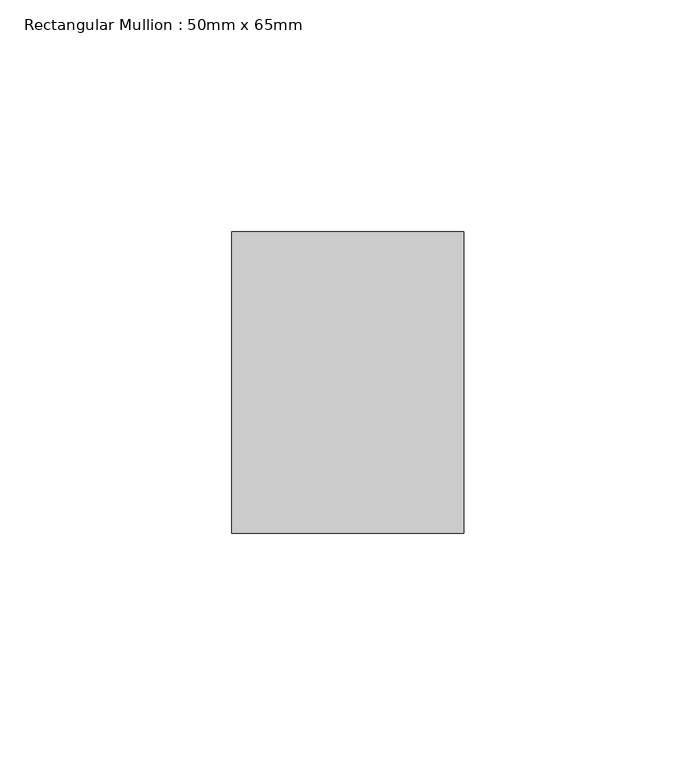
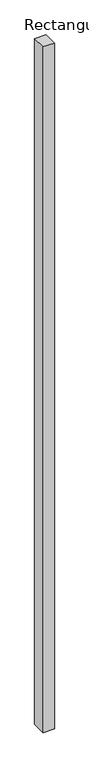
"""IFC4 building model written with IfcOpenShell, lengths in millimetres: member geometry, Rectangular Mullion : 50mm x 65mm."""

from ifc_helpers import new_model, si_unit, frame, origin, place, context, project, spatial, polyline, outline, extrude, source, transform, mapped, element, save


def rectangular_mullion_50mm_x_65mm_30416fc2(model_context):
    return source(origin(), model_context, "Body", "SweptSolid", [
        extrude(outline(polyline([(25.0, 32.5), (25.0, -32.5), (-25.0, -32.5), (-25.0, 32.5), (25.0, 32.5)])), frame((0.0, 0.0, -3235.2670915), z_axis=(0.0, 0.0, 1.0), x_axis=(1.0, 0.0, 0.0)), (0.0, 0.0, 1.0), 3235.2670915),
    ])


if __name__ == "__main__":
    model = new_model("IFC4")
    model_context = context("Model", 3, world=origin())
    ifc_project = project(units=[si_unit("LENGTHUNIT", "METRE", prefix="MILLI")], contexts=[model_context])
    site = spatial("IfcSite", under=ifc_project)
    building = spatial("IfcBuilding", under=site)
    placement = place(None, origin())
    rectangular_mullion_50mm_x_65mm_shape = rectangular_mullion_50mm_x_65mm_30416fc2(model_context)
    element("IfcMember", 1, ObjectType="Rectangular Mullion : 50mm x 65mm", at=placement, inside=building, context=model_context, shape_type="MappedRepresentation", body=[
        mapped(rectangular_mullion_50mm_x_65mm_shape, transform((0.0, 0.0, 0.0), x_axis=(1.0, 0.0, 0.0), y_axis=(0.0, 1.0, 0.0), z_axis=(0.0, 0.0, 1.0))),
    ])
    save(model, "model.ifc")
